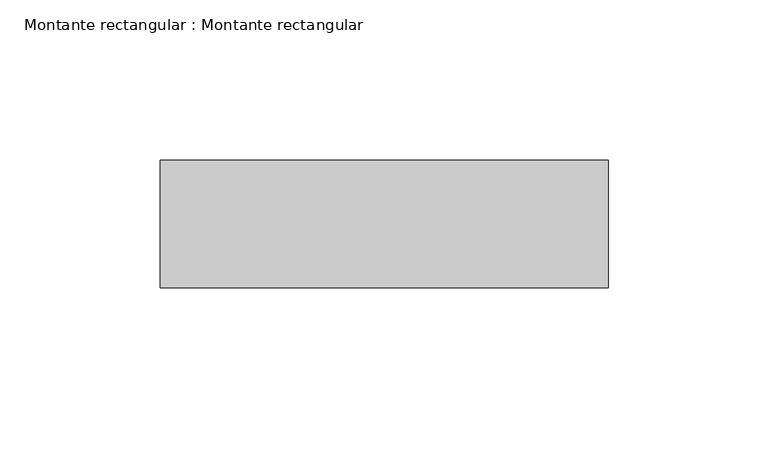
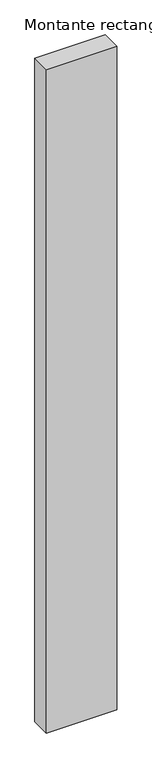
"""IFC4 building model written with IfcOpenShell, lengths in millimetres: member geometry, Montante rectangular : Montante rectangular."""

import ifcopenshell
import ifcopenshell.guid

model = None  # the IFC model being written
_history = None  # IfcOwnerHistory: only IFC2X3 demands one
_inside = {}  # id of a spatial element -> (the spatial element, [elements in it])
_under = {}  # id of a project, library or spatial element -> (it, [spatial elements below it])
_declared = {}  # id of a project -> (the project, [libraries it declares])
_typed = {}  # id of a type object -> (the type object, [elements of that type])
_made_of = {}  # id of a material, layer set ... -> (it, [elements and type objects made of it])


def new_model(schema):
    """Start an empty IFC model of exactly this schema.

    Asked for "IFC4X3", IfcOpenShell would pick the latest addendum, in which some entities
    have other attributes; the version numbers below select the first issue.
    IFC2X3 requires an IfcOwnerHistory on every rooted entity: one is made here for all.
    """
    global model, _history
    if schema == "IFC4X3":
        model = ifcopenshell.file(schema_version=(4, 3, 0, 0))
    else:
        model = ifcopenshell.file(schema=schema)
    _inside.clear()
    _under.clear()
    _declared.clear()
    _typed.clear()
    _made_of.clear()
    _history = None
    if model.schema == "IFC2X3":
        org = make("IfcOrganization", Name="unknown")
        user = make(
            "IfcPersonAndOrganization",
            ThePerson=make("IfcPerson", FamilyName="unknown"),
            TheOrganization=org,
        )
        app = make(
            "IfcApplication",
            ApplicationDeveloper=org,
            Version="unknown",
            ApplicationFullName="unknown",
            ApplicationIdentifier="unknown",
        )
        _history = make(
            "IfcOwnerHistory",
            OwningUser=user,
            OwningApplication=app,
            ChangeAction="ADDED",
            CreationDate=0,
        )
    return model


def make(cls, **values):
    """One entity of the class cls with the attributes given. An attribute that is None is left unset."""
    return model.create_entity(
        cls, **{name: value for name, value in values.items() if value is not None}
    )


def rooted(cls, **values):
    """An entity with a GlobalId (a new one), such as an element, a storey or a relation."""
    return make(cls, GlobalId=ifcopenshell.guid.new(), OwnerHistory=_history, **values)


def si_unit(unit_type, name, prefix=None):
    """IfcSIUnit, for example si_unit("LENGTHUNIT", "METRE", prefix="MILLI")."""
    return make("IfcSIUnit", UnitType=unit_type, Prefix=prefix, Name=name)


def assignment(units):
    """IfcUnitAssignment: the units of a project."""
    return None if units is None else make("IfcUnitAssignment", Units=units)


def point(xyz):
    """IfcCartesianPoint."""
    return None if xyz is None else make("IfcCartesianPoint", Coordinates=xyz)


def direction(xyz):
    """IfcDirection."""
    return None if xyz is None else make("IfcDirection", DirectionRatios=xyz)


def frame(location, z_axis=None, x_axis=None):
    """IfcAxis2Placement3D, a coordinate frame: its origin and axes. An axis left out is left unset."""
    return make(
        "IfcAxis2Placement3D",
        Location=point(location),
        Axis=direction(z_axis),
        RefDirection=direction(x_axis),
    )


def origin():
    """The frame at (0, 0, 0) with its axes left unset."""
    return frame((0.0, 0.0, 0.0))


def place(relative_to, where):
    """IfcLocalPlacement: puts the frame where relative to a parent placement (None: the world)."""
    return make(
        "IfcLocalPlacement", PlacementRelTo=relative_to, RelativePlacement=where
    )


def context(
    kind, dimensions, precision=None, world=None, true_north=None, identifier=None
):
    """IfcGeometricRepresentationContext, for example the 3D "Model" context."""
    return make(
        "IfcGeometricRepresentationContext",
        ContextIdentifier=identifier,
        ContextType=kind,
        CoordinateSpaceDimension=dimensions,
        Precision=precision,
        WorldCoordinateSystem=world,
        TrueNorth=true_north,
    )


def project(units=None, contexts=None):
    """IfcProject with its units and contexts."""
    return rooted(
        "IfcProject",
        Name="project",
        RepresentationContexts=contexts,
        UnitsInContext=assignment(units),
    )


def spatial(cls, under=None, at=None, **own):
    """A site, building, storey or space (cls), placed at a placement, below another one or the project."""
    s = rooted(cls, ObjectPlacement=at, **own)
    if under is not None:
        _under.setdefault(under.id(), (under, []))[1].append(s)
    return s


def polyline(points):
    """IfcPolyline through the points."""
    return make("IfcPolyline", Points=[point(p) for p in points])


def outline(outer, holes=None, kind="AREA"):
    """IfcArbitraryClosedProfileDef: a profile drawn as a closed curve; with holes, ...WithVoids."""
    if holes is None:
        return make("IfcArbitraryClosedProfileDef", ProfileType=kind, OuterCurve=outer)
    return make(
        "IfcArbitraryProfileDefWithVoids",
        ProfileType=kind,
        OuterCurve=outer,
        InnerCurves=holes,
    )


def extrude(swept, where, along, depth):
    """IfcExtrudedAreaSolid: the profile swept, set in the frame where, extruded along a direction by depth."""
    return make(
        "IfcExtrudedAreaSolid",
        SweptArea=swept,
        Position=where,
        ExtrudedDirection=direction(along),
        Depth=depth,
    )


def shape(context_of_items, identifier, shape_type, items):
    """IfcShapeRepresentation: the items that make up one representation, for example the "Body"."""
    return make(
        "IfcShapeRepresentation",
        ContextOfItems=context_of_items,
        RepresentationIdentifier=identifier,
        RepresentationType=shape_type,
        Items=items,
    )


def source(mapping_origin, context_of_items, identifier, shape_type, items):
    """IfcRepresentationMap: a shape defined once, which mapped items show again and again."""
    return make(
        "IfcRepresentationMap",
        MappingOrigin=mapping_origin,
        MappedRepresentation=shape(context_of_items, identifier, shape_type, items),
    )


def transform(
    local_origin,
    x_axis=None,
    y_axis=None,
    z_axis=None,
    scale=None,
    scale2=None,
    scale3=None,
    uniform=True,
):
    """IfcCartesianTransformationOperator3D, or its non-uniform kind. x_axis, y_axis, z_axis: its Axis1, 2, 3."""
    if uniform:
        return make(
            "IfcCartesianTransformationOperator3D",
            Axis1=direction(x_axis),
            Axis2=direction(y_axis),
            LocalOrigin=point(local_origin),
            Scale=scale,
            Axis3=direction(z_axis),
        )
    return make(
        "IfcCartesianTransformationOperator3DnonUniform",
        Axis1=direction(x_axis),
        Axis2=direction(y_axis),
        LocalOrigin=point(local_origin),
        Scale=scale,
        Axis3=direction(z_axis),
        Scale2=scale2,
        Scale3=scale3,
    )


def mapped(mapping_source, mapping_target):
    """IfcMappedItem: shows the shape of a source again, moved by a transform."""
    return make(
        "IfcMappedItem", MappingSource=mapping_source, MappingTarget=mapping_target
    )


def made_of(thing, what):
    """Note that an element or type object is made of a material, layer set ...; save() writes the relation."""
    if what is not None:
        _made_of.setdefault(what.id(), (what, []))[1].append(thing)
    return thing


def element(
    cls,
    number,
    at=None,
    inside=None,
    cuts=None,
    type_object=None,
    material=None,
    context=None,
    identifier="Body",
    shape_type=None,
    held_by="IfcProductDefinitionShape",
    body=None,
    shapes=None,
    **own,
):
    """One element of the class cls, such as IfcWall. Its Tag is "e" and its number.

    at: its placement. inside: the storey or other place that contains it. cuts: it is an
    opening in that element (IfcRelVoidsElement). A single representation is given by context,
    identifier, shape_type and body (its items); several are given by shapes. held_by: the class
    of the entity that holds the representations. save() writes the other relations.
    """
    e = rooted(cls, Tag="e%d" % number, ObjectPlacement=at, **own)
    if body is not None:
        shapes = [shape(context, identifier, shape_type, body)]
    if shapes is not None:
        e.Representation = make(held_by, Representations=shapes)
    if inside is not None:
        _inside.setdefault(inside.id(), (inside, []))[1].append(e)
    if cuts is not None:
        rooted(
            "IfcRelVoidsElement", RelatingBuildingElement=cuts, RelatedOpeningElement=e
        )
    if type_object is not None:
        _typed.setdefault(type_object.id(), (type_object, []))[1].append(e)
    return made_of(e, material)


def aggregate(whole, parts):
    """IfcRelAggregates: a whole, such as a stair, and the parts it consists of."""
    return rooted("IfcRelAggregates", RelatingObject=whole, RelatedObjects=parts)


def save(model, path):
    """Write the relations noted so far, then the file.

    IfcRelAggregates (storeys below a building ...), IfcRelContainedInSpatialStructure (elements
    in a storey), IfcRelDefinesByType, IfcRelAssociatesMaterial and IfcRelDeclares: one each for
    every whole, place, type object, material and project.
    """
    for whole, parts in _under.values():
        aggregate(whole, parts)
    for where, things in _inside.values():
        rooted(
            "IfcRelContainedInSpatialStructure",
            RelatedElements=things,
            RelatingStructure=where,
        )
    for kind, things in _typed.values():
        rooted("IfcRelDefinesByType", RelatedObjects=things, RelatingType=kind)
    for what, things in _made_of.values():
        rooted("IfcRelAssociatesMaterial", RelatedObjects=things, RelatingMaterial=what)
    for by, libraries in _declared.values():
        rooted("IfcRelDeclares", RelatingContext=by, RelatedDefinitions=libraries)
    model.write(path)


def montante_rectangular_montante_rectangular_e2688838(model_context):
    return source(origin(), model_context, "Body", "SweptSolid", [
        extrude(outline(polyline([(84.4064043, 4.614603), (-55.5935957, 4.614603), (-55.5935957, 44.614603), (84.4064043, 44.614603), (84.4064043, 4.614603)])), frame((0.0, 0.0, -1400.0), z_axis=(0.0, 0.0, 1.0), x_axis=(1.0, 0.0, 0.0)), (0.0, 0.0, 1.0), 1400.0),
    ])


if __name__ == "__main__":
    model = new_model("IFC4")
    model_context = context("Model", 3, world=origin())
    ifc_project = project(units=[si_unit("LENGTHUNIT", "METRE", prefix="MILLI")], contexts=[model_context])
    site = spatial("IfcSite", under=ifc_project)
    building = spatial("IfcBuilding", under=site)
    placement = place(None, origin())
    montante_rectangular_montante_rectangular_shape = montante_rectangular_montante_rectangular_e2688838(model_context)
    element("IfcMember", 1, ObjectType="Montante rectangular : Montante rectangular", at=placement, inside=building, context=model_context, shape_type="MappedRepresentation", body=[
        mapped(montante_rectangular_montante_rectangular_shape, transform((0.0, 0.0, 0.0), x_axis=(1.0, 0.0, 0.0), y_axis=(0.0, 1.0, 0.0), z_axis=(0.0, 0.0, 1.0))),
    ])
    save(model, "model.ifc")
